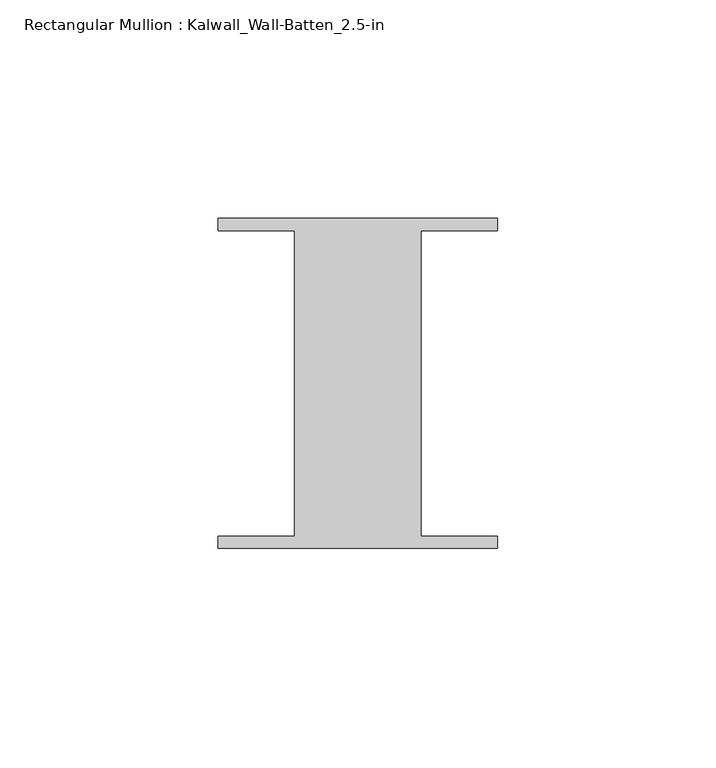
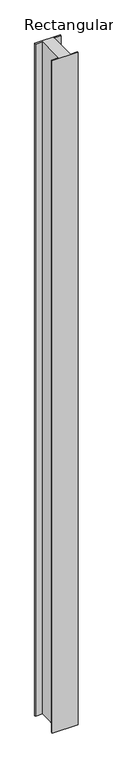
"""IFC4 building model written with IfcOpenShell, lengths in millimetres: member geometry, Rectangular Mullion : Kalwall_Wall-Batten_2.5-in."""

from ifc_helpers import new_model, si_unit, frame, origin, place, context, project, spatial, polyline, outline, extrude, source, transform, mapped, element, save


def rectangular_mullion_kalwall_wall_batten_2_5_in_7dd91a7c(model_context):
    return source(origin(), model_context, "Body", "SweptSolid", [
        extrude(outline(polyline([(-32.0, 36.524), (32.0, 36.524), (32.0, 33.73), (14.5, 33.73), (14.5, -36.27), (32.0, -36.27), (32.0, -39.064), (-32.0, -39.064), (-32.0, -36.27), (-14.5, -36.27), (-14.5, 33.73), (-32.0, 33.73), (-32.0, 36.524)])), frame((0.0, 0.0, -1763.25), z_axis=(0.0, 0.0, 1.0), x_axis=(1.0, 0.0, 0.0)), (0.0, 0.0, 1.0), 1763.25),
    ])


if __name__ == "__main__":
    model = new_model("IFC4")
    model_context = context("Model", 3, world=origin())
    ifc_project = project(units=[si_unit("LENGTHUNIT", "METRE", prefix="MILLI")], contexts=[model_context])
    site = spatial("IfcSite", under=ifc_project)
    building = spatial("IfcBuilding", under=site)
    placement = place(None, origin())
    rectangular_mullion_kalwall_wall_batten_2_5_in_shape = rectangular_mullion_kalwall_wall_batten_2_5_in_7dd91a7c(model_context)
    element("IfcMember", 1, ObjectType="Rectangular Mullion : Kalwall_Wall-Batten_2.5-in", at=placement, inside=building, context=model_context, shape_type="MappedRepresentation", body=[
        mapped(rectangular_mullion_kalwall_wall_batten_2_5_in_shape, transform((0.0, 0.0, 0.0), x_axis=(1.0, 0.0, 0.0), y_axis=(0.0, 1.0, 0.0), z_axis=(0.0, 0.0, 1.0))),
    ])
    save(model, "model.ifc")
